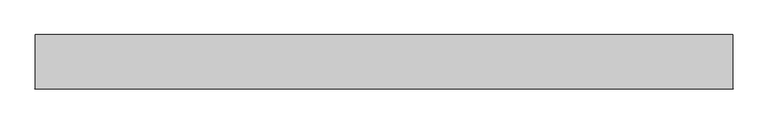
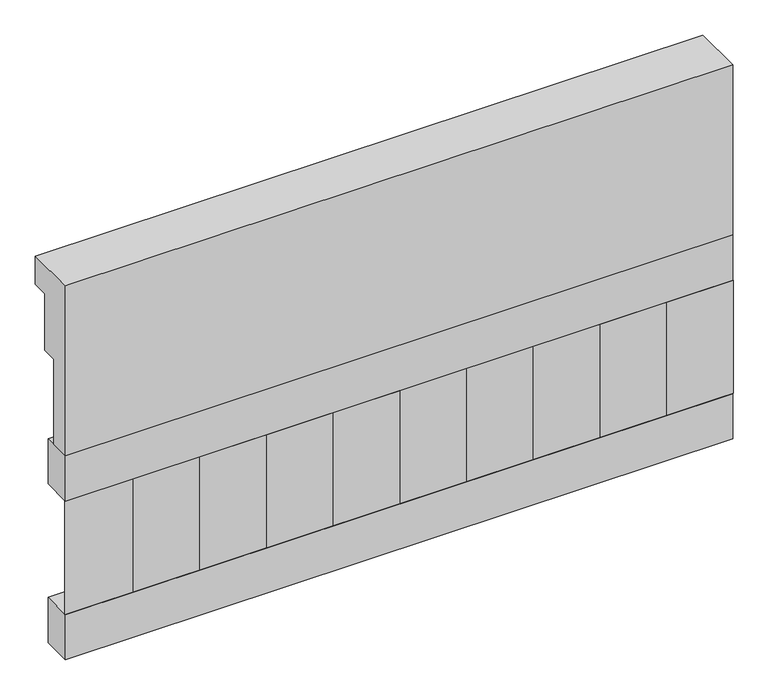
"""IFC4 building model written with IfcOpenShell, lengths in millimetres: railing geometry."""

from ifc_helpers import new_model, si_unit, frame, origin, place, context, project, spatial, polyline, outline, extrude, source, transform, mapped, element, save


def railing_bedfd9a6(model_context):
    return source(origin(), model_context, "Body", "SweptSolid", [
        extrude(outline(polyline([(903.1079487, 15200.0), (1033.1079487, 15200.0), (1033.1079487, 15125.0), (993.1079487, 15125.0), (993.1079487, 14975.0), (953.1079487, 14975.0), (953.1079487, 14750.0), (903.1079487, 14750.0), (903.1079487, 15200.0)])), frame((19290.0112841, 0.0, 0.0), z_axis=(1.0, 0.0, 0.0), x_axis=(0.0, 1.0, 0.0)), (0.0, 0.0, 1.0), 1670.0),
        extrude(outline(polyline([(20960.0112841, 978.1079487), (20960.0112841, 903.1079487), (19290.0112841, 903.1079487), (19290.0112841, 978.1079487), (20960.0112841, 978.1079487)])), frame((0.0, 0.0, 14630.0), z_axis=(0.0, 0.0, 1.0), x_axis=(1.0, 0.0, 0.0)), (0.0, 0.0, 1.0), 120.0),
        extrude(outline(polyline([(20960.0112841, 978.1079487), (20960.0112841, 903.1079487), (19290.0112841, 903.1079487), (19290.0112841, 978.1079487), (20960.0112841, 978.1079487)])), frame((0.0, 0.0, 14210.0), z_axis=(0.0, 0.0, 1.0), x_axis=(1.0, 0.0, 0.0)), (0.0, 0.0, 1.0), 120.0),
        extrude(outline(polyline([(19373.5112841, 987.9607624), (19458.3640978, 903.1079487), (19288.6584704, 903.1079487), (19373.5112841, 987.9607624)])), frame((0.0, 0.0, 14330.0), z_axis=(0.0, 0.0, 1.0), x_axis=(1.0, 0.0, 0.0)), (0.0, 0.0, 1.0), 300.0),
        extrude(outline(polyline([(19540.5112841, 987.9607624), (19625.3640978, 903.1079487), (19455.6584704, 903.1079487), (19540.5112841, 987.9607624)])), frame((0.0, 0.0, 14330.0), z_axis=(0.0, 0.0, 1.0), x_axis=(1.0, 0.0, 0.0)), (0.0, 0.0, 1.0), 300.0),
        extrude(outline(polyline([(19707.5112841, 987.9607624), (19792.3640978, 903.1079487), (19622.6584704, 903.1079487), (19707.5112841, 987.9607624)])), frame((0.0, 0.0, 14330.0), z_axis=(0.0, 0.0, 1.0), x_axis=(1.0, 0.0, 0.0)), (0.0, 0.0, 1.0), 300.0),
        extrude(outline(polyline([(19874.5112841, 987.9607624), (19959.3640978, 903.1079487), (19789.6584704, 903.1079487), (19874.5112841, 987.9607624)])), frame((0.0, 0.0, 14330.0), z_axis=(0.0, 0.0, 1.0), x_axis=(1.0, 0.0, 0.0)), (0.0, 0.0, 1.0), 300.0),
        extrude(outline(polyline([(20041.5112841, 987.9607624), (20126.3640978, 903.1079487), (19956.6584704, 903.1079487), (20041.5112841, 987.9607624)])), frame((0.0, 0.0, 14330.0), z_axis=(0.0, 0.0, 1.0), x_axis=(1.0, 0.0, 0.0)), (0.0, 0.0, 1.0), 300.0),
        extrude(outline(polyline([(20208.5112841, 987.9607624), (20293.3640978, 903.1079487), (20123.6584704, 903.1079487), (20208.5112841, 987.9607624)])), frame((0.0, 0.0, 14330.0), z_axis=(0.0, 0.0, 1.0), x_axis=(1.0, 0.0, 0.0)), (0.0, 0.0, 1.0), 300.0),
        extrude(outline(polyline([(20375.5112841, 987.9607624), (20460.3640978, 903.1079487), (20290.6584704, 903.1079487), (20375.5112841, 987.9607624)])), frame((0.0, 0.0, 14330.0), z_axis=(0.0, 0.0, 1.0), x_axis=(1.0, 0.0, 0.0)), (0.0, 0.0, 1.0), 300.0),
        extrude(outline(polyline([(20542.5112841, 987.9607624), (20627.3640978, 903.1079487), (20457.6584704, 903.1079487), (20542.5112841, 987.9607624)])), frame((0.0, 0.0, 14330.0), z_axis=(0.0, 0.0, 1.0), x_axis=(1.0, 0.0, 0.0)), (0.0, 0.0, 1.0), 300.0),
        extrude(outline(polyline([(20709.5112841, 987.9607624), (20794.3640978, 903.1079487), (20624.6584704, 903.1079487), (20709.5112841, 987.9607624)])), frame((0.0, 0.0, 14330.0), z_axis=(0.0, 0.0, 1.0), x_axis=(1.0, 0.0, 0.0)), (0.0, 0.0, 1.0), 300.0),
        extrude(outline(polyline([(20876.5112841, 987.9607624), (20961.3640978, 903.1079487), (20791.6584704, 903.1079487), (20876.5112841, 987.9607624)])), frame((0.0, 0.0, 14330.0), z_axis=(0.0, 0.0, 1.0), x_axis=(1.0, 0.0, 0.0)), (0.0, 0.0, 1.0), 300.0),
    ])


if __name__ == "__main__":
    model = new_model("IFC4")
    model_context = context("Model", 3, world=origin())
    ifc_project = project(units=[si_unit("LENGTHUNIT", "METRE", prefix="MILLI")], contexts=[model_context])
    site = spatial("IfcSite", under=ifc_project)
    building = spatial("IfcBuilding", under=site)
    placement = place(None, origin())
    railing_shape = railing_bedfd9a6(model_context)
    element("IfcRailing", 1, at=placement, inside=building, context=model_context, shape_type="MappedRepresentation", body=[
        mapped(railing_shape, transform((0.0, 0.0, 0.0), x_axis=(1.0, 0.0, 0.0), y_axis=(0.0, 1.0, 0.0), z_axis=(0.0, 0.0, 1.0))),
    ])
    save(model, "model.ifc")
